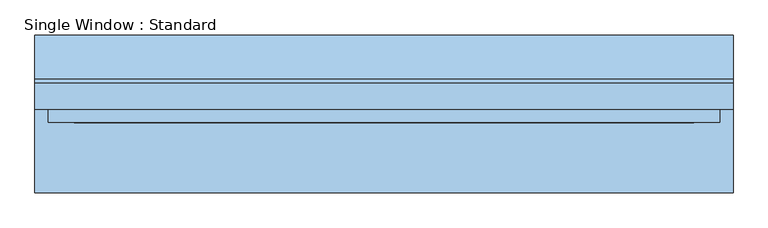
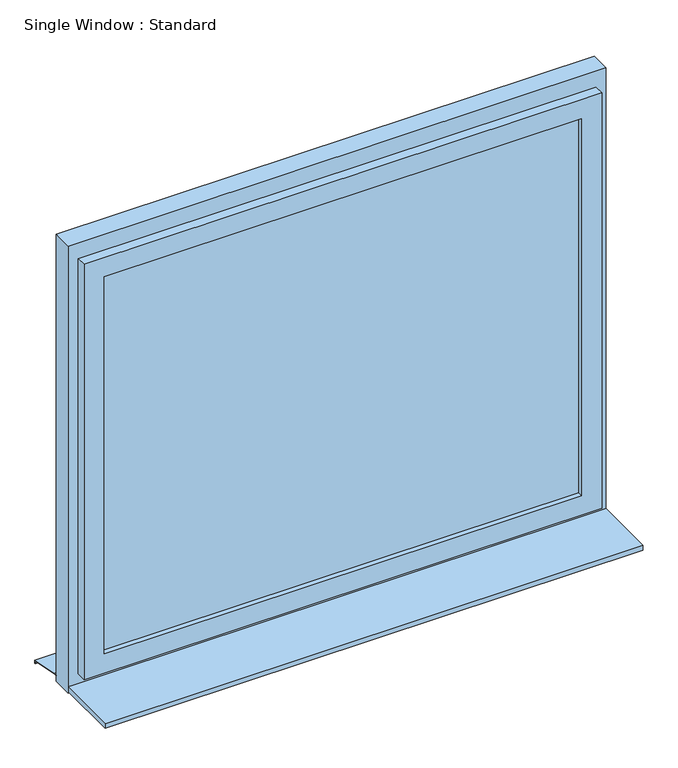
"""IFC4 building model written with IfcOpenShell, lengths in millimetres: window geometry, Single Window : Standard."""

from ifc_helpers import new_model, si_unit, frame, origin, place, context, project, spatial, polyline, outline, extrude, faceted_brep, source, transform, mapped, element, save


def single_window_standard_f55b5e14(model_context):
    return source(origin(), model_context, "Body", "SolidModel", [
        extrude(outline(polyline([(707.1831548, -5.0), (-707.1831548, -5.0), (-707.1831548, 25.0), (707.1831548, 25.0), (707.1831548, -5.0)])), frame((0.0, 0.0, 1110.0), z_axis=(0.0, 0.0, 1.0), x_axis=(1.0, 0.0, 0.0)), (0.0, 0.0, 1.0), 1180.0),
        faceted_brep([(767.1831548, 10.0, 2350.0), (767.1831548, -20.0, 2350.0), (767.1831548, -20.0, 1050.0), (767.1831548, 10.0, 1050.0), (737.1831548, 40.0, 2320.0), (737.1831548, 10.0, 2320.0), (737.1831548, 10.0, 1080.0), (737.1831548, 40.0, 1080.0), (707.1831548, -20.0, 2290.0), (707.1831548, 40.0, 2290.0), (707.1831548, 40.0, 1110.0), (707.1831548, -20.0, 1110.0), (-767.1831548, -20.0, 1050.0), (-767.1831548, 10.0, 1050.0), (-737.1831548, 10.0, 1080.0), (-737.1831548, 40.0, 1080.0), (-707.1831548, 40.0, 1110.0), (-707.1831548, -20.0, 1110.0), (-767.1831548, -20.0, 2350.0), (-767.1831548, 10.0, 2350.0), (-737.1831548, 10.0, 2320.0), (-737.1831548, 40.0, 2320.0), (-707.1831548, 40.0, 2290.0), (-707.1831548, -20.0, 2290.0)], [[[0, 1, 2, 3]], [[4, 5, 6, 7]], [[8, 9, 10, 11]], [[3, 2, 12, 13]], [[7, 6, 14, 15]], [[11, 10, 16, 17]], [[13, 12, 18, 19]], [[15, 14, 20, 21]], [[17, 16, 22, 23]], [[19, 18, 1, 0]], [[3, 13, 19, 0], [5, 20, 14, 6]], [[21, 20, 5, 4]], [[7, 15, 21, 4], [9, 22, 16, 10]], [[23, 22, 9, 8]], [[1, 18, 12, 2], [11, 17, 23, 8]]]),
        extrude(outline(polyline([(2400.0, 797.1831548), (2400.0, -797.1831548), (1000.0, -797.1831548), (1000.0, 797.1831548), (2400.0, 797.1831548)]), holes=[polyline([(2320.0, 737.1831548), (1080.0, 737.1831548), (1080.0, -737.1831548), (2320.0, -737.1831548), (2320.0, 737.1831548)])]), frame((0.0, 10.0, 0.0), z_axis=(0.0, 1.0, 0.0), x_axis=(0.0, 0.0, 1.0)), (0.0, 0.0, 1.0), 60.0),
        extrude(outline(polyline([(80.0221543, 1020.0), (180.0, 1000.0), (180.0, 990.0), (178.0, 990.0), (178.0, 998.3604634), (79.8240723, 1018.0), (70.0, 1018.0), (70.0, 1020.0), (80.0221543, 1020.0)])), frame((-797.1831548, 0.0, 0.0), z_axis=(1.0, 0.0, 0.0), x_axis=(0.0, 1.0, 0.0)), (0.0, 0.0, 1.0), 1594.3663096),
        extrude(outline(polyline([(-797.1831548, -180.0), (-797.1831548, 10.0), (797.1831548, 10.0), (797.1831548, -180.0), (-797.1831548, -180.0)])), frame((0.0, 0.0, 1005.0), z_axis=(0.0, 0.0, 1.0), x_axis=(1.0, 0.0, 0.0)), (0.0, 0.0, 1.0), 15.0),
    ])


if __name__ == "__main__":
    model = new_model("IFC4")
    model_context = context("Model", 3, world=origin())
    ifc_project = project(units=[si_unit("LENGTHUNIT", "METRE", prefix="MILLI")], contexts=[model_context])
    site = spatial("IfcSite", under=ifc_project)
    building = spatial("IfcBuilding", under=site)
    placement = place(None, origin())
    single_window_standard_shape = single_window_standard_f55b5e14(model_context)
    element("IfcWindow", 1, ObjectType="Single Window : Standard", at=placement, inside=building, context=model_context, shape_type="MappedRepresentation", body=[
        mapped(single_window_standard_shape, transform((0.0, 0.0, 0.0), x_axis=(1.0, 0.0, 0.0), y_axis=(0.0, 1.0, 0.0), z_axis=(0.0, 0.0, 1.0))),
    ])
    save(model, "model.ifc")
